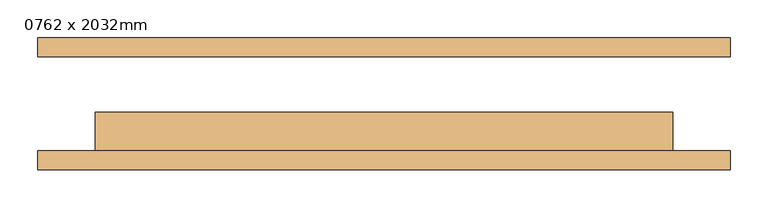
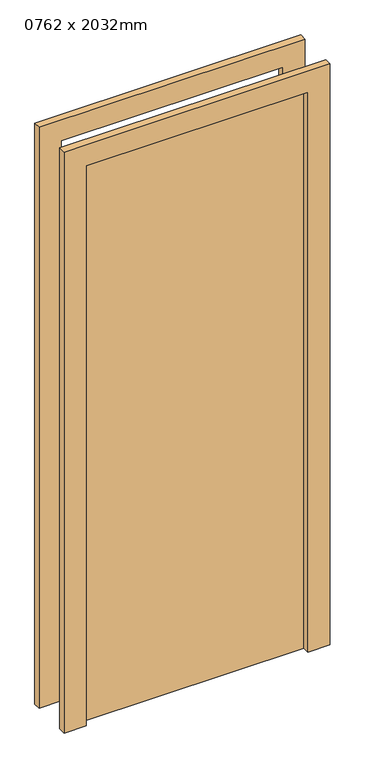
"""IFC4 building model written with IfcOpenShell, lengths in millimetres: door geometry, 0762 x 2032mm."""

from ifc_helpers import new_model, si_unit, frame, origin, origin_with_axes, place, context, project, spatial, polyline, outline, extrude, source, transform, mapped, element, save


def door_0762_x_2032mm_1c354163(model_context):
    return source(origin(), model_context, "Body", "SweptSolid", [
        extrude(outline(polyline([(2108.0, -457.0), (0.0, -457.0), (0.0, -381.0), (2032.0, -381.0), (2032.0, 381.0), (0.0, 381.0), (0.0, 457.0), (2108.0, 457.0), (2108.0, -457.0)])), frame((0.0, -87.0, 0.0), z_axis=(0.0, 1.0, 0.0), x_axis=(0.0, 0.0, 1.0)), (0.0, 0.0, 1.0), 25.0),
        extrude(outline(polyline([(2108.0, 457.0), (2108.0, -457.0), (0.0, -457.0), (0.0, -381.0), (2032.0, -381.0), (2032.0, 381.0), (0.0, 381.0), (0.0, 457.0), (2108.0, 457.0)])), frame((0.0, 62.0, 0.0), z_axis=(0.0, 1.0, 0.0), x_axis=(0.0, 0.0, 1.0)), (0.0, 0.0, 1.0), 25.0),
        extrude(outline(polyline([(381.0, -11.0), (381.0, -62.0), (-381.0, -62.0), (-381.0, -11.0), (381.0, -11.0)])), origin_with_axes(), (0.0, 0.0, 1.0), 2032.0),
    ])


if __name__ == "__main__":
    model = new_model("IFC4")
    model_context = context("Model", 3, world=origin())
    ifc_project = project(units=[si_unit("LENGTHUNIT", "METRE", prefix="MILLI")], contexts=[model_context])
    site = spatial("IfcSite", under=ifc_project)
    building = spatial("IfcBuilding", under=site)
    placement = place(None, origin())
    door_0762_x_2032mm_shape = door_0762_x_2032mm_1c354163(model_context)
    element("IfcDoor", 1, ObjectType="0762 x 2032mm", at=placement, inside=building, context=model_context, shape_type="MappedRepresentation", body=[
        mapped(door_0762_x_2032mm_shape, transform((0.0, 0.0, 0.0), x_axis=(1.0, 0.0, 0.0), y_axis=(0.0, 1.0, 0.0), z_axis=(0.0, 0.0, 1.0))),
    ])
    save(model, "model.ifc")
